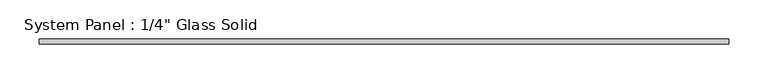
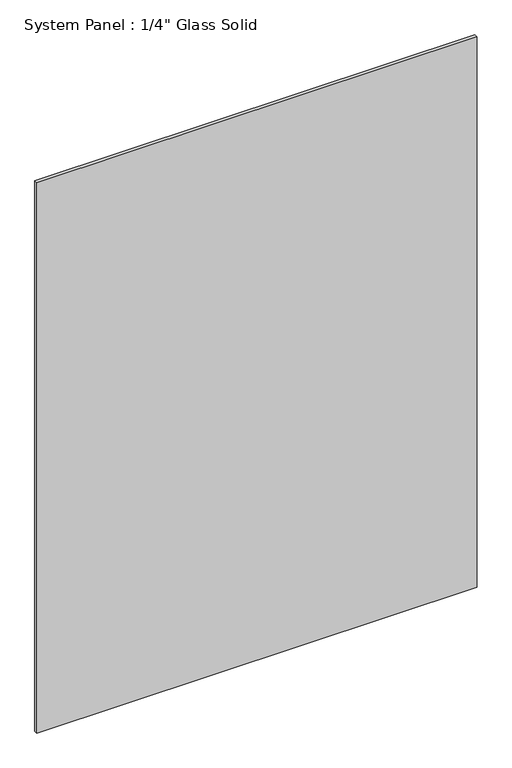
"""IFC4 building model written with IfcOpenShell, lengths in millimetres: plate geometry."""

from ifc_helpers import new_model, si_unit, origin, origin_with_axes, place, context, project, spatial, polyline, outline, extrude, source, transform, mapped, element, save


def plate_7beedc5f(model_context):
    return source(origin(), model_context, "Body", "SweptSolid", [
        extrude(outline(polyline([(440.3180865, -3.175), (-440.3180865, -3.175), (-440.3180865, 3.175), (440.3180865, 3.175), (440.3180865, -3.175)])), origin_with_axes(), (0.0, 0.0, 1.0), 1163.2094027),
    ])


if __name__ == "__main__":
    model = new_model("IFC4")
    model_context = context("Model", 3, world=origin())
    ifc_project = project(units=[si_unit("LENGTHUNIT", "METRE", prefix="MILLI")], contexts=[model_context])
    site = spatial("IfcSite", under=ifc_project)
    building = spatial("IfcBuilding", under=site)
    placement = place(None, origin())
    plate_shape = plate_7beedc5f(model_context)
    element("IfcPlate", 1, ObjectType="System Panel : 1/4\" Glass Solid", at=placement, inside=building, context=model_context, shape_type="MappedRepresentation", body=[
        mapped(plate_shape, transform((0.0, 0.0, 0.0), x_axis=(1.0, 0.0, 0.0), y_axis=(0.0, 1.0, 0.0), z_axis=(0.0, 0.0, 1.0))),
    ])
    save(model, "model.ifc")
